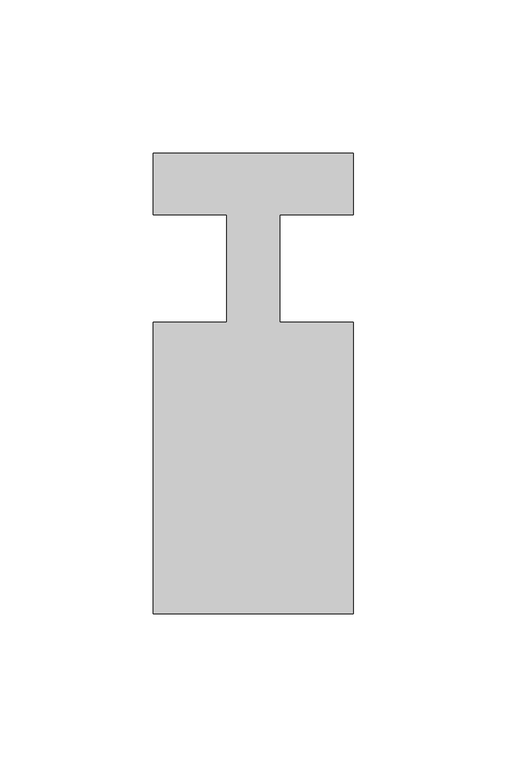
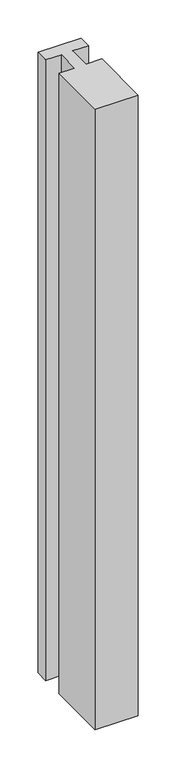
"""IFC4 building model written with IfcOpenShell, lengths in millimetres: member geometry."""

from ifc_helpers import new_model, si_unit, frame, origin, place, context, project, spatial, polyline, outline, extrude, source, transform, mapped, element, save


def member_9009a4ac(model_context):
    return source(origin(), model_context, "Body", "SweptSolid", [
        extrude(outline(polyline([(-65.0, 37.0), (0.0, 37.0), (0.0, 17.0), (-23.8125, 17.0), (-23.8125, -18.0), (0.0, -18.0), (0.0, -113.0), (-65.0, -113.0), (-65.0, -18.0), (-41.1875, -18.0), (-41.1875, 17.0), (-65.0, 17.0), (-65.0, 37.0)])), frame((0.0, 0.0, -992.9107143), z_axis=(0.0, 0.0, 1.0), x_axis=(1.0, 0.0, 0.0)), (0.0, 0.0, 1.0), 992.9107143),
    ])


if __name__ == "__main__":
    model = new_model("IFC4")
    model_context = context("Model", 3, world=origin())
    ifc_project = project(units=[si_unit("LENGTHUNIT", "METRE", prefix="MILLI")], contexts=[model_context])
    site = spatial("IfcSite", under=ifc_project)
    building = spatial("IfcBuilding", under=site)
    placement = place(None, origin())
    member_shape = member_9009a4ac(model_context)
    element("IfcMember", 1, at=placement, inside=building, context=model_context, shape_type="MappedRepresentation", body=[
        mapped(member_shape, transform((0.0, 0.0, 0.0), x_axis=(1.0, 0.0, 0.0), y_axis=(0.0, 1.0, 0.0), z_axis=(0.0, 0.0, 1.0))),
    ])
    save(model, "model.ifc")
